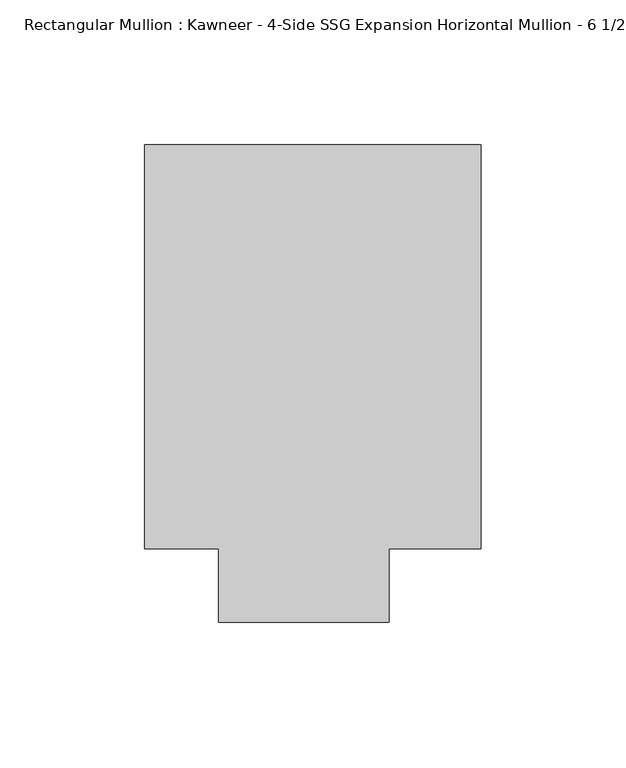
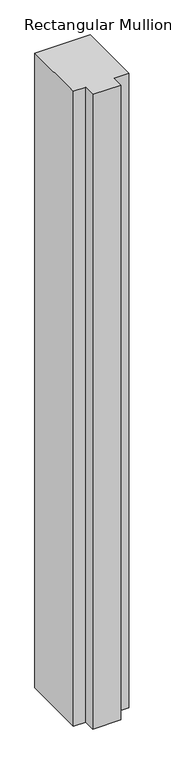
"""IFC4 building model written with IfcOpenShell, lengths in millimetres: member geometry."""

from ifc_helpers import new_model, si_unit, frame, origin, place, context, project, spatial, polyline, outline, extrude, source, transform, mapped, element, save


def member_64747405(model_context):
    return source(origin(), model_context, "Body", "SweptSolid", [
        extrude(outline(polyline([(-62.2957636, 151.892), (53.615046, 151.892), (53.615046, 12.7), (21.8651592, 12.7), (21.8651592, -12.7), (-36.8958768, -12.7), (-36.8958768, 12.7), (-62.2957636, 12.7), (-62.2957636, 151.892)])), frame((0.0, 0.0, -1402.268147), z_axis=(0.0, 0.0, 1.0), x_axis=(1.0, 0.0, 0.0)), (0.0, 0.0, 1.0), 1402.268147),
    ])


if __name__ == "__main__":
    model = new_model("IFC4")
    model_context = context("Model", 3, world=origin())
    ifc_project = project(units=[si_unit("LENGTHUNIT", "METRE", prefix="MILLI")], contexts=[model_context])
    site = spatial("IfcSite", under=ifc_project)
    building = spatial("IfcBuilding", under=site)
    placement = place(None, origin())
    member_shape = member_64747405(model_context)
    element("IfcMember", 1, ObjectType="Rectangular Mullion : Kawneer - 4-Side SSG Expansion Horizontal Mullion - 6 1/2\"", at=placement, inside=building, context=model_context, shape_type="MappedRepresentation", body=[
        mapped(member_shape, transform((0.0, 0.0, 0.0), x_axis=(1.0, 0.0, 0.0), y_axis=(0.0, 1.0, 0.0), z_axis=(0.0, 0.0, 1.0))),
    ])
    save(model, "model.ifc")
